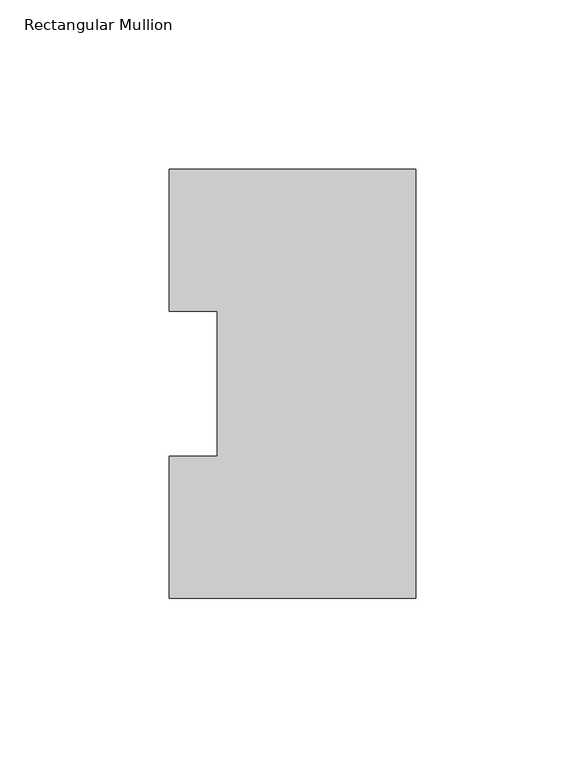
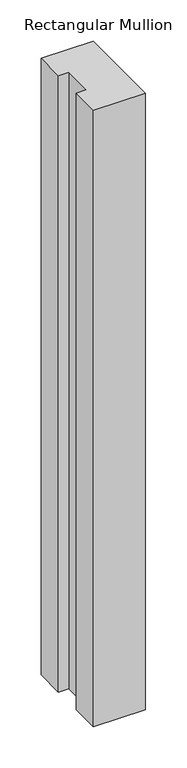
"""IFC4 building model written with IfcOpenShell, lengths in millimetres: member geometry, Rectangular Mullion."""

from ifc_helpers import new_model, si_unit, frame, origin, place, context, project, spatial, polyline, outline, extrude, source, transform, mapped, element, save


def rectangular_mullion_c870cb4f(model_context):
    return source(origin(), model_context, "Body", "SweptSolid", [
        extrude(outline(polyline([(0.0, 126.7086918), (0.0, -0.2913082), (-73.025, -0.2913082), (-73.025, 41.7837928), (-58.7375, 41.7837928), (-58.7375, 84.6335938), (-73.025, 84.6335938), (-73.025, 126.7086918), (0.0, 126.7086918)])), frame((0.0, 0.0, -914.4), z_axis=(0.0, 0.0, 1.0), x_axis=(1.0, 0.0, 0.0)), (0.0, 0.0, 1.0), 914.4),
    ])


if __name__ == "__main__":
    model = new_model("IFC4")
    model_context = context("Model", 3, world=origin())
    ifc_project = project(units=[si_unit("LENGTHUNIT", "METRE", prefix="MILLI")], contexts=[model_context])
    site = spatial("IfcSite", under=ifc_project)
    building = spatial("IfcBuilding", under=site)
    placement = place(None, origin())
    rectangular_mullion_shape = rectangular_mullion_c870cb4f(model_context)
    element("IfcMember", 1, ObjectType="Rectangular Mullion", at=placement, inside=building, context=model_context, shape_type="MappedRepresentation", body=[
        mapped(rectangular_mullion_shape, transform((0.0, 0.0, 0.0), x_axis=(1.0, 0.0, 0.0), y_axis=(0.0, 1.0, 0.0), z_axis=(0.0, 0.0, 1.0))),
    ])
    save(model, "model.ifc")
